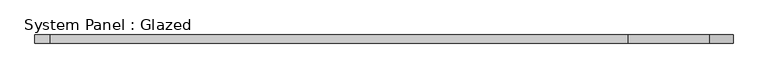
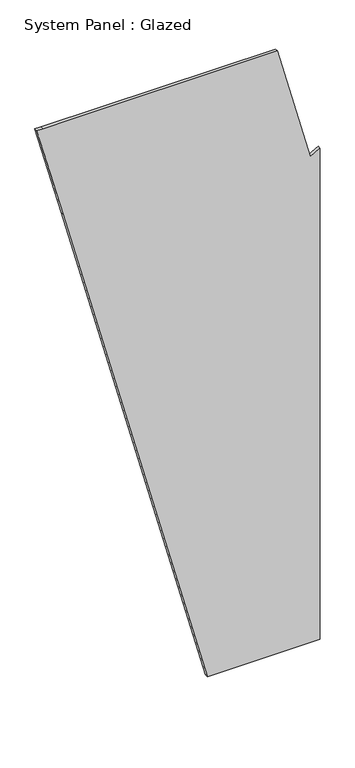
"""IFC4 building model written with IfcOpenShell, lengths in millimetres: plate geometry, System Panel : Glazed."""

from ifc_helpers import new_model, si_unit, frame, origin, place, context, project, spatial, polyline, outline, extrude, source, transform, mapped, element, save


def system_panel_glazed_df846098(model_context):
    return source(origin(), model_context, "Body", "SweptSolid", [
        extrude(outline(polyline([(0.0, 210.441401), (0.0, 1035.5223438), (3788.7033052, 1035.5223438), (3749.8804484, 965.6334698), (4650.0, 724.4471629), (4650.0, -989.6698111), (4650.0, -1035.5223438), (3938.1433794, -844.7809372), (0.0, 210.441401)])), frame((0.0, -2.5, 0.0), z_axis=(0.0, 1.0, 0.0), x_axis=(0.0, 0.0, 1.0)), (0.0, 0.0, 1.0), 25.0),
    ])


if __name__ == "__main__":
    model = new_model("IFC4")
    model_context = context("Model", 3, world=origin())
    ifc_project = project(units=[si_unit("LENGTHUNIT", "METRE", prefix="MILLI")], contexts=[model_context])
    site = spatial("IfcSite", under=ifc_project)
    building = spatial("IfcBuilding", under=site)
    placement = place(None, origin())
    system_panel_glazed_shape = system_panel_glazed_df846098(model_context)
    element("IfcPlate", 1, ObjectType="System Panel : Glazed", at=placement, inside=building, context=model_context, shape_type="MappedRepresentation", body=[
        mapped(system_panel_glazed_shape, transform((0.0, 0.0, 0.0), x_axis=(1.0, 0.0, 0.0), y_axis=(0.0, 1.0, 0.0), z_axis=(0.0, 0.0, 1.0))),
    ])
    save(model, "model.ifc")
